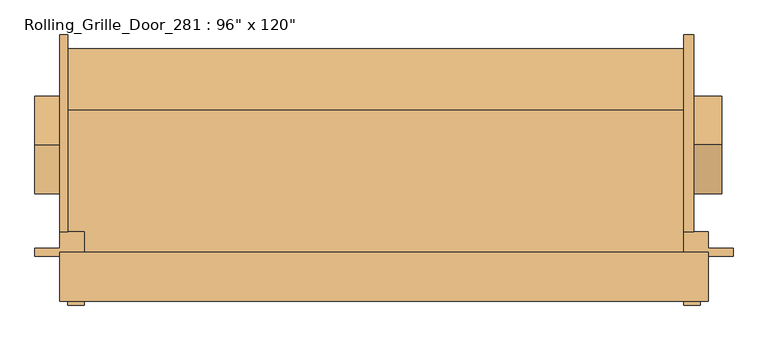
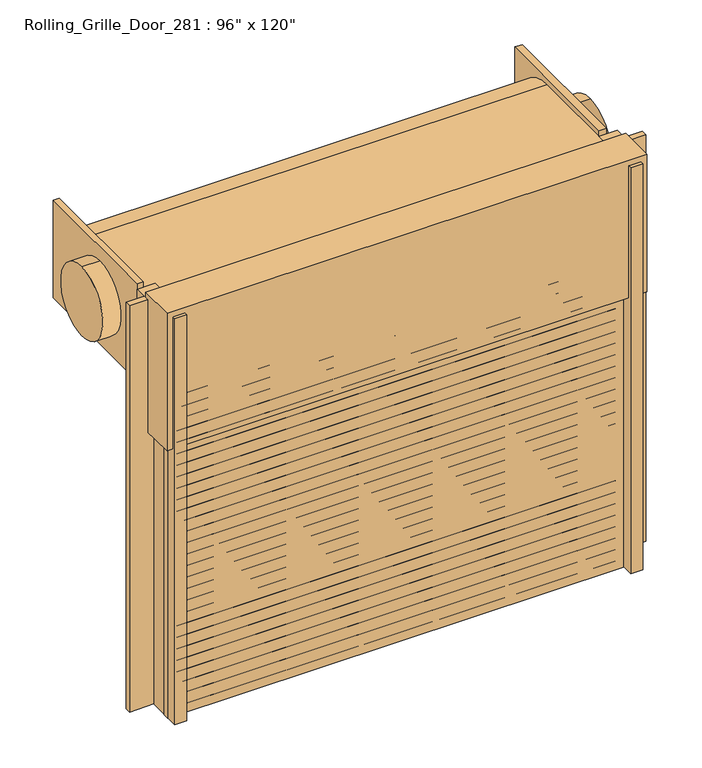
"""IFC4 building model written with IfcOpenShell, lengths in millimetres: door geometry."""

from ifc_helpers import new_model, si_unit, point, frame, frame_2d, origin, place, context, project, spatial, polyline, circle_curve, trimmed, segment, composite_curve, outline, extrude, source, transform, mapped, element, save


def door_7c6f8742(model_context):
    return source(origin(), model_context, "Body", "SweptSolid", [
        extrude(outline(polyline([(689.5995501, 0.0), (689.5995501, -25.4), (-1219.3768972, -25.4), (-1219.3768972, 0.0), (689.5995501, 0.0)])), frame((0.0, 0.0, 1250.2076859), z_axis=(0.0, 0.0, 1.0), x_axis=(1.0, 0.0, 0.0)), (0.0, 0.0, 1.0), 1416.7923141),
        extrude(outline(polyline([(-1219.2, -76.2), (-1219.2, 76.2), (-1320.8, 76.2), (-1320.8, 101.6), (-1244.6, 101.6), (-1244.6, 152.4), (-1168.4, 152.4), (-1168.4, -76.2), (-1219.2, -76.2)])), frame((0.0, 0.0, 1250.95), z_axis=(0.0, 0.0, 1.0), x_axis=(1.0, 0.0, 0.0)), (0.0, 0.0, 1.0), 1797.05),
        extrude(outline(polyline([(740.3995501, -76.2), (689.5995501, -76.2), (689.5995501, 152.4), (765.7995501, 152.4), (765.7995501, 101.6), (841.9995501, 101.6), (841.9995501, 76.2), (740.3995501, 76.2), (740.3995501, -76.2)])), frame((0.0, 0.0, 1250.2076859), z_axis=(0.0, 0.0, 1.0), x_axis=(1.0, 0.0, 0.0)), (0.0, 0.0, 1.0), 1797.7923141),
        extrude(outline(composite_curve([segment(trimmed(circle_curve(frame_2d((0.0, 1639.4601211)), 12.7), [point((0.0, 1652.1601211))], [point((0.0, 1626.7601211))], False, "CARTESIAN"), True, "CONTINUOUS"), segment(trimmed(circle_curve(frame_2d((0.0, 1639.4601211)), 12.7), [point((0.0, 1626.7601211))], [point((0.0, 1652.1601211))], False, "CARTESIAN"), True, "CONTINUOUS")], self_intersect=False)), frame((-1168.400095, 0.0, 0.0), z_axis=(1.0, 0.0, 0.0), x_axis=(0.0, 1.0, 0.0)), (0.0, 0.0, 1.0), 1832.336927),
        extrude(outline(composite_curve([segment(trimmed(circle_curve(frame_2d((0.0, 1588.6601211)), 12.7), [point((0.0, 1601.3601211))], [point((0.0, 1575.9601211))], False, "CARTESIAN"), True, "CONTINUOUS"), segment(trimmed(circle_curve(frame_2d((0.0, 1588.6601211)), 12.7), [point((0.0, 1575.9601211))], [point((0.0, 1601.3601211))], False, "CARTESIAN"), True, "CONTINUOUS")], self_intersect=False)), frame((-1168.400095, 0.0, 0.0), z_axis=(1.0, 0.0, 0.0), x_axis=(0.0, 1.0, 0.0)), (0.0, 0.0, 1.0), 1832.336927),
        extrude(outline(composite_curve([segment(trimmed(circle_curve(frame_2d((0.0, 1537.8601211)), 12.7), [point((0.0, 1550.5601211))], [point((0.0, 1525.1601211))], False, "CARTESIAN"), True, "CONTINUOUS"), segment(trimmed(circle_curve(frame_2d((0.0, 1537.8601211)), 12.7), [point((0.0, 1525.1601211))], [point((0.0, 1550.5601211))], False, "CARTESIAN"), True, "CONTINUOUS")], self_intersect=False)), frame((-1168.400095, 0.0, 0.0), z_axis=(1.0, 0.0, 0.0), x_axis=(0.0, 1.0, 0.0)), (0.0, 0.0, 1.0), 1832.336927),
        extrude(outline(composite_curve([segment(trimmed(circle_curve(frame_2d((0.0, 1487.0601211)), 12.7), [point((0.0, 1499.7601211))], [point((0.0, 1474.3601211))], False, "CARTESIAN"), True, "CONTINUOUS"), segment(trimmed(circle_curve(frame_2d((0.0, 1487.0601211)), 12.7), [point((0.0, 1474.3601211))], [point((0.0, 1499.7601211))], False, "CARTESIAN"), True, "CONTINUOUS")], self_intersect=False)), frame((-1168.400095, 0.0, 0.0), z_axis=(1.0, 0.0, 0.0), x_axis=(0.0, 1.0, 0.0)), (0.0, 0.0, 1.0), 1832.336927),
        extrude(outline(composite_curve([segment(trimmed(circle_curve(frame_2d((0.0, 1436.2601211)), 12.7), [point((0.0, 1448.9601211))], [point((0.0, 1423.5601211))], False, "CARTESIAN"), True, "CONTINUOUS"), segment(trimmed(circle_curve(frame_2d((0.0, 1436.2601211)), 12.7), [point((0.0, 1423.5601211))], [point((0.0, 1448.9601211))], False, "CARTESIAN"), True, "CONTINUOUS")], self_intersect=False)), frame((-1168.400095, 0.0, 0.0), z_axis=(1.0, 0.0, 0.0), x_axis=(0.0, 1.0, 0.0)), (0.0, 0.0, 1.0), 1832.336927),
        extrude(outline(composite_curve([segment(trimmed(circle_curve(frame_2d((0.0, 1385.4601211)), 12.7), [point((0.0, 1398.1601211))], [point((0.0, 1372.7601211))], False, "CARTESIAN"), True, "CONTINUOUS"), segment(trimmed(circle_curve(frame_2d((0.0, 1385.4601211)), 12.7), [point((0.0, 1372.7601211))], [point((0.0, 1398.1601211))], False, "CARTESIAN"), True, "CONTINUOUS")], self_intersect=False)), frame((-1168.400095, 0.0, 0.0), z_axis=(1.0, 0.0, 0.0), x_axis=(0.0, 1.0, 0.0)), (0.0, 0.0, 1.0), 1832.336927),
        extrude(outline(composite_curve([segment(trimmed(circle_curve(frame_2d((0.0, 1334.6601211)), 12.7), [point((0.0, 1347.3601211))], [point((0.0, 1321.9601211))], False, "CARTESIAN"), True, "CONTINUOUS"), segment(trimmed(circle_curve(frame_2d((0.0, 1334.6601211)), 12.7), [point((0.0, 1321.9601211))], [point((0.0, 1347.3601211))], False, "CARTESIAN"), True, "CONTINUOUS")], self_intersect=False)), frame((-1168.400095, 0.0, 0.0), z_axis=(1.0, 0.0, 0.0), x_axis=(0.0, 1.0, 0.0)), (0.0, 0.0, 1.0), 1832.336927),
        extrude(outline(composite_curve([segment(trimmed(circle_curve(frame_2d((0.0, 1283.8601211)), 12.7), [point((0.0, 1296.5601211))], [point((0.0, 1271.1601211))], False, "CARTESIAN"), True, "CONTINUOUS"), segment(trimmed(circle_curve(frame_2d((0.0, 1283.8601211)), 12.7), [point((0.0, 1271.1601211))], [point((0.0, 1296.5601211))], False, "CARTESIAN"), True, "CONTINUOUS")], self_intersect=False)), frame((-1168.400095, 0.0, 0.0), z_axis=(1.0, 0.0, 0.0), x_axis=(0.0, 1.0, 0.0)), (0.0, 0.0, 1.0), 1832.336927),
        extrude(outline(composite_curve([segment(trimmed(circle_curve(frame_2d((0.0, 2603.5)), 12.7), [point((0.0, 2616.2))], [point((0.0, 2590.8))], False, "CARTESIAN"), True, "CONTINUOUS"), segment(trimmed(circle_curve(frame_2d((0.0, 2603.5)), 12.7), [point((0.0, 2590.8))], [point((0.0, 2616.2))], False, "CARTESIAN"), True, "CONTINUOUS")], self_intersect=False)), frame((-1168.4, 0.0, 0.0), z_axis=(1.0, 0.0, 0.0), x_axis=(0.0, 1.0, 0.0)), (0.0, 0.0, 1.0), 1828.8),
        extrude(outline(composite_curve([segment(trimmed(circle_curve(frame_2d((0.0, 2552.7)), 12.7), [point((0.0, 2565.4))], [point((0.0, 2540.0))], False, "CARTESIAN"), True, "CONTINUOUS"), segment(trimmed(circle_curve(frame_2d((0.0, 2552.7)), 12.7), [point((0.0, 2540.0))], [point((0.0, 2565.4))], False, "CARTESIAN"), True, "CONTINUOUS")], self_intersect=False)), frame((-1168.4, 0.0, 0.0), z_axis=(1.0, 0.0, 0.0), x_axis=(0.0, 1.0, 0.0)), (0.0, 0.0, 1.0), 1828.8),
        extrude(outline(composite_curve([segment(trimmed(circle_curve(frame_2d((0.0, 2501.9)), 12.7), [point((0.0, 2514.6))], [point((0.0, 2489.2))], False, "CARTESIAN"), True, "CONTINUOUS"), segment(trimmed(circle_curve(frame_2d((0.0, 2501.9)), 12.7), [point((0.0, 2489.2))], [point((0.0, 2514.6))], False, "CARTESIAN"), True, "CONTINUOUS")], self_intersect=False)), frame((-1168.4, 0.0, 0.0), z_axis=(1.0, 0.0, 0.0), x_axis=(0.0, 1.0, 0.0)), (0.0, 0.0, 1.0), 1828.8),
        extrude(outline(composite_curve([segment(trimmed(circle_curve(frame_2d((0.0, 2451.1)), 12.7), [point((0.0, 2463.8))], [point((0.0, 2438.4))], False, "CARTESIAN"), True, "CONTINUOUS"), segment(trimmed(circle_curve(frame_2d((0.0, 2451.1)), 12.7), [point((0.0, 2438.4))], [point((0.0, 2463.8))], False, "CARTESIAN"), True, "CONTINUOUS")], self_intersect=False)), frame((-1168.4, 0.0, 0.0), z_axis=(1.0, 0.0, 0.0), x_axis=(0.0, 1.0, 0.0)), (0.0, 0.0, 1.0), 1828.8),
        extrude(outline(composite_curve([segment(trimmed(circle_curve(frame_2d((0.0, 2657.475)), 12.7), [point((0.0, 2670.175))], [point((0.0, 2644.775))], False, "CARTESIAN"), True, "CONTINUOUS"), segment(trimmed(circle_curve(frame_2d((0.0, 2657.475)), 12.7), [point((0.0, 2644.775))], [point((0.0, 2670.175))], False, "CARTESIAN"), True, "CONTINUOUS")], self_intersect=False)), frame((-1168.4, 0.0, 0.0), z_axis=(1.0, 0.0, 0.0), x_axis=(0.0, 1.0, 0.0)), (0.0, 0.0, 1.0), 1828.8),
        extrude(outline(composite_curve([segment(trimmed(circle_curve(frame_2d((421.1820674, 2858.2149016)), 152.4), [point((421.1820674, 2705.8149016))], [point((421.1820674, 3010.6149016))], False, "CARTESIAN"), True, "CONTINUOUS"), segment(trimmed(circle_curve(frame_2d((421.1820674, 2858.2149016)), 152.4), [point((421.1820674, 3010.6149016))], [point((421.1820674, 2705.8149016))], False, "CARTESIAN"), True, "CONTINUOUS")], self_intersect=False)), frame((-1320.8, 0.0, 0.0), z_axis=(1.0, 0.0, 0.0), x_axis=(0.0, 1.0, 0.0)), (0.0, 0.0, 1.0), 76.2),
        extrude(outline(composite_curve([segment(trimmed(circle_curve(frame_2d((0.0, 2400.3)), 12.7), [point((0.0, 2413.0))], [point((0.0, 2387.6))], False, "CARTESIAN"), True, "CONTINUOUS"), segment(trimmed(circle_curve(frame_2d((0.0, 2400.3)), 12.7), [point((0.0, 2387.6))], [point((0.0, 2413.0))], False, "CARTESIAN"), True, "CONTINUOUS")], self_intersect=False)), frame((-1168.4, 0.0, 0.0), z_axis=(1.0, 0.0, 0.0), x_axis=(0.0, 1.0, 0.0)), (0.0, 0.0, 1.0), 1832.336927),
        extrude(outline(composite_curve([segment(trimmed(circle_curve(frame_2d((0.0, 2349.5)), 12.7), [point((0.0, 2362.2))], [point((0.0, 2336.8))], False, "CARTESIAN"), True, "CONTINUOUS"), segment(trimmed(circle_curve(frame_2d((0.0, 2349.5)), 12.7), [point((0.0, 2336.8))], [point((0.0, 2362.2))], False, "CARTESIAN"), True, "CONTINUOUS")], self_intersect=False)), frame((-1168.4, 0.0, 0.0), z_axis=(1.0, 0.0, 0.0), x_axis=(0.0, 1.0, 0.0)), (0.0, 0.0, 1.0), 1832.336927),
        extrude(outline(composite_curve([segment(trimmed(circle_curve(frame_2d((0.0, 2298.7)), 12.7), [point((0.0, 2311.4))], [point((0.0, 2286.0))], False, "CARTESIAN"), True, "CONTINUOUS"), segment(trimmed(circle_curve(frame_2d((0.0, 2298.7)), 12.7), [point((0.0, 2286.0))], [point((0.0, 2311.4))], False, "CARTESIAN"), True, "CONTINUOUS")], self_intersect=False)), frame((-1168.4, 0.0, 0.0), z_axis=(1.0, 0.0, 0.0), x_axis=(0.0, 1.0, 0.0)), (0.0, 0.0, 1.0), 1832.336927),
        extrude(outline(composite_curve([segment(trimmed(circle_curve(frame_2d((0.0, 2247.9)), 12.7), [point((0.0, 2260.6))], [point((0.0, 2235.2))], False, "CARTESIAN"), True, "CONTINUOUS"), segment(trimmed(circle_curve(frame_2d((0.0, 2247.9)), 12.7), [point((0.0, 2235.2))], [point((0.0, 2260.6))], False, "CARTESIAN"), True, "CONTINUOUS")], self_intersect=False)), frame((-1168.4, 0.0, 0.0), z_axis=(1.0, 0.0, 0.0), x_axis=(0.0, 1.0, 0.0)), (0.0, 0.0, 1.0), 1832.336927),
        extrude(outline(composite_curve([segment(trimmed(circle_curve(frame_2d((0.0, 2197.1)), 12.7), [point((0.0, 2209.8))], [point((0.0, 2184.4))], False, "CARTESIAN"), True, "CONTINUOUS"), segment(trimmed(circle_curve(frame_2d((0.0, 2197.1)), 12.7), [point((0.0, 2184.4))], [point((0.0, 2209.8))], False, "CARTESIAN"), True, "CONTINUOUS")], self_intersect=False)), frame((-1168.4, 0.0, 0.0), z_axis=(1.0, 0.0, 0.0), x_axis=(0.0, 1.0, 0.0)), (0.0, 0.0, 1.0), 1832.336927),
        extrude(outline(composite_curve([segment(trimmed(circle_curve(frame_2d((0.0, 2146.3)), 12.7), [point((0.0, 2159.0))], [point((0.0, 2133.6))], False, "CARTESIAN"), True, "CONTINUOUS"), segment(trimmed(circle_curve(frame_2d((0.0, 2146.3)), 12.7), [point((0.0, 2133.6))], [point((0.0, 2159.0))], False, "CARTESIAN"), True, "CONTINUOUS")], self_intersect=False)), frame((-1168.4, 0.0, 0.0), z_axis=(1.0, 0.0, 0.0), x_axis=(0.0, 1.0, 0.0)), (0.0, 0.0, 1.0), 1832.336927),
        extrude(outline(composite_curve([segment(trimmed(circle_curve(frame_2d((0.0, 2095.5)), 12.7), [point((0.0, 2108.2))], [point((0.0, 2082.8))], False, "CARTESIAN"), True, "CONTINUOUS"), segment(trimmed(circle_curve(frame_2d((0.0, 2095.5)), 12.7), [point((0.0, 2082.8))], [point((0.0, 2108.2))], False, "CARTESIAN"), True, "CONTINUOUS")], self_intersect=False)), frame((-1168.4, 0.0, 0.0), z_axis=(1.0, 0.0, 0.0), x_axis=(0.0, 1.0, 0.0)), (0.0, 0.0, 1.0), 1832.336927),
        extrude(outline(composite_curve([segment(trimmed(circle_curve(frame_2d((0.0, 2044.7)), 12.7), [point((0.0, 2057.4))], [point((0.0, 2032.0))], False, "CARTESIAN"), True, "CONTINUOUS"), segment(trimmed(circle_curve(frame_2d((0.0, 2044.7)), 12.7), [point((0.0, 2032.0))], [point((0.0, 2057.4))], False, "CARTESIAN"), True, "CONTINUOUS")], self_intersect=False)), frame((-1168.4, 0.0, 0.0), z_axis=(1.0, 0.0, 0.0), x_axis=(0.0, 1.0, 0.0)), (0.0, 0.0, 1.0), 1832.336927),
        extrude(outline(composite_curve([segment(trimmed(circle_curve(frame_2d((0.0, 1993.9)), 12.7), [point((0.0, 2006.6))], [point((0.0, 1981.2))], False, "CARTESIAN"), True, "CONTINUOUS"), segment(trimmed(circle_curve(frame_2d((0.0, 1993.9)), 12.7), [point((0.0, 1981.2))], [point((0.0, 2006.6))], False, "CARTESIAN"), True, "CONTINUOUS")], self_intersect=False)), frame((-1168.4, 0.0, 0.0), z_axis=(1.0, 0.0, 0.0), x_axis=(0.0, 1.0, 0.0)), (0.0, 0.0, 1.0), 1832.336927),
        extrude(outline(composite_curve([segment(trimmed(circle_curve(frame_2d((0.0, 1943.1)), 12.7), [point((0.0, 1955.8))], [point((0.0, 1930.4))], False, "CARTESIAN"), True, "CONTINUOUS"), segment(trimmed(circle_curve(frame_2d((0.0, 1943.1)), 12.7), [point((0.0, 1930.4))], [point((0.0, 1955.8))], False, "CARTESIAN"), True, "CONTINUOUS")], self_intersect=False)), frame((-1168.4, 0.0, 0.0), z_axis=(1.0, 0.0, 0.0), x_axis=(0.0, 1.0, 0.0)), (0.0, 0.0, 1.0), 1832.336927),
        extrude(outline(composite_curve([segment(trimmed(circle_curve(frame_2d((0.0, 1892.3)), 12.7), [point((0.0, 1905.0))], [point((0.0, 1879.6))], False, "CARTESIAN"), True, "CONTINUOUS"), segment(trimmed(circle_curve(frame_2d((0.0, 1892.3)), 12.7), [point((0.0, 1879.6))], [point((0.0, 1905.0))], False, "CARTESIAN"), True, "CONTINUOUS")], self_intersect=False)), frame((-1168.4, 0.0, 0.0), z_axis=(1.0, 0.0, 0.0), x_axis=(0.0, 1.0, 0.0)), (0.0, 0.0, 1.0), 1832.336927),
        extrude(outline(composite_curve([segment(trimmed(circle_curve(frame_2d((0.0, 1841.5)), 12.7), [point((0.0, 1854.2))], [point((0.0, 1828.8))], False, "CARTESIAN"), True, "CONTINUOUS"), segment(trimmed(circle_curve(frame_2d((0.0, 1841.5)), 12.7), [point((0.0, 1828.8))], [point((0.0, 1854.2))], False, "CARTESIAN"), True, "CONTINUOUS")], self_intersect=False)), frame((-1168.4, 0.0, 0.0), z_axis=(1.0, 0.0, 0.0), x_axis=(0.0, 1.0, 0.0)), (0.0, 0.0, 1.0), 1832.336927),
        extrude(outline(composite_curve([segment(trimmed(circle_curve(frame_2d((0.0, 1790.7)), 12.7), [point((0.0, 1803.4))], [point((0.0, 1778.0))], False, "CARTESIAN"), True, "CONTINUOUS"), segment(trimmed(circle_curve(frame_2d((0.0, 1790.7)), 12.7), [point((0.0, 1778.0))], [point((0.0, 1803.4))], False, "CARTESIAN"), True, "CONTINUOUS")], self_intersect=False)), frame((-1168.4, 0.0, 0.0), z_axis=(1.0, 0.0, 0.0), x_axis=(0.0, 1.0, 0.0)), (0.0, 0.0, 1.0), 1832.336927),
        extrude(outline(composite_curve([segment(trimmed(circle_curve(frame_2d((0.0, 1739.9)), 12.7), [point((0.0, 1752.6))], [point((0.0, 1727.2))], False, "CARTESIAN"), True, "CONTINUOUS"), segment(trimmed(circle_curve(frame_2d((0.0, 1739.9)), 12.7), [point((0.0, 1727.2))], [point((0.0, 1752.6))], False, "CARTESIAN"), True, "CONTINUOUS")], self_intersect=False)), frame((-1168.4, 0.0, 0.0), z_axis=(1.0, 0.0, 0.0), x_axis=(0.0, 1.0, 0.0)), (0.0, 0.0, 1.0), 1832.336927),
        extrude(outline(composite_curve([segment(trimmed(circle_curve(frame_2d((0.0, 1689.1)), 12.7), [point((0.0, 1701.8))], [point((0.0, 1676.4))], False, "CARTESIAN"), True, "CONTINUOUS"), segment(trimmed(circle_curve(frame_2d((0.0, 1689.1)), 12.7), [point((0.0, 1676.4))], [point((0.0, 1701.8))], False, "CARTESIAN"), True, "CONTINUOUS")], self_intersect=False)), frame((-1168.4, 0.0, 0.0), z_axis=(1.0, 0.0, 0.0), x_axis=(0.0, 1.0, 0.0)), (0.0, 0.0, 1.0), 1832.336927),
        extrude(outline(composite_curve([segment(trimmed(circle_curve(frame_2d((421.1820674, 2858.2149016)), 152.4), [point((421.1820674, 2705.8149016))], [point((421.1820674, 3010.6149016))], False, "CARTESIAN"), True, "CONTINUOUS"), segment(trimmed(circle_curve(frame_2d((421.1820674, 2858.2149016)), 152.4), [point((421.1820674, 3010.6149016))], [point((421.1820674, 2705.8149016))], False, "CARTESIAN"), True, "CONTINUOUS")], self_intersect=False)), frame((719.5474013, 0.0, 0.0), z_axis=(1.0, 0.0, 0.0), x_axis=(0.0, 1.0, 0.0)), (0.0, 0.0, 1.0), 87.7429817),
        extrude(outline(composite_curve([segment(polyline([(529.1860544, 2667.0), (76.2, 2667.0), (76.2, 3048.0), (529.1860544, 3048.0)]), True, "CONTINUOUS"), segment(trimmed(circle_curve(frame_2d((529.1860544, 2857.5)), 190.5), [point((529.1860544, 3048.0))], [point((529.1860544, 2667.0))], False, "CARTESIAN"), True, "CONTINUOUS")], self_intersect=False)), frame((-1219.2, 0.0, 0.0), z_axis=(1.0, 0.0, 0.0), x_axis=(0.0, 1.0, 0.0)), (0.0, 0.0, 1.0), 1908.7995265),
        extrude(outline(polyline([(-1244.6, 152.4), (-1244.6, 762.0), (-1219.2, 762.0), (-1219.2, 152.4), (-1244.6, 152.4)])), frame((0.0, 0.0, 2641.6), z_axis=(0.0, 0.0, 1.0), x_axis=(1.0, 0.0, 0.0)), (0.0, 0.0, 1.0), 431.8),
        extrude(outline(polyline([(689.5995501, 152.4), (689.5995501, 762.0), (719.5474013, 762.0), (719.5474013, 152.4), (689.5995501, 152.4)])), frame((0.0, 0.0, 2641.6), z_axis=(0.0, 0.0, 1.0), x_axis=(1.0, 0.0, 0.0)), (0.0, 0.0, 1.0), 431.8),
        extrude(outline(polyline([(765.7995501, -63.5), (-1244.6, -63.5), (-1244.6, 88.9), (765.7995501, 88.9), (765.7995501, -63.5)])), frame((0.0, 0.0, 2463.8), z_axis=(0.0, 0.0, 1.0), x_axis=(1.0, 0.0, 0.0)), (0.0, 0.0, 1.0), 609.6),
    ])


if __name__ == "__main__":
    model = new_model("IFC4")
    model_context = context("Model", 3, world=origin())
    ifc_project = project(units=[si_unit("LENGTHUNIT", "METRE", prefix="MILLI")], contexts=[model_context])
    site = spatial("IfcSite", under=ifc_project)
    building = spatial("IfcBuilding", under=site)
    placement = place(None, origin())
    door_shape = door_7c6f8742(model_context)
    element("IfcDoor", 1, ObjectType="Rolling_Grille_Door_281 : 96\" x 120\"", at=placement, inside=building, context=model_context, shape_type="MappedRepresentation", body=[
        mapped(door_shape, transform((0.0, 0.0, 0.0), x_axis=(1.0, 0.0, 0.0), y_axis=(0.0, 1.0, 0.0), z_axis=(0.0, 0.0, 1.0))),
    ])
    save(model, "model.ifc")
